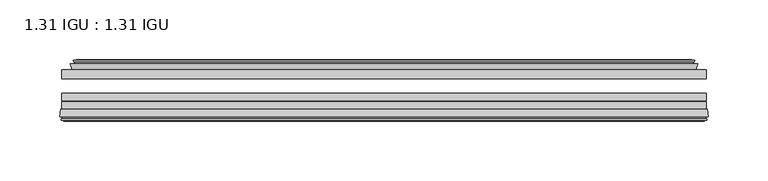
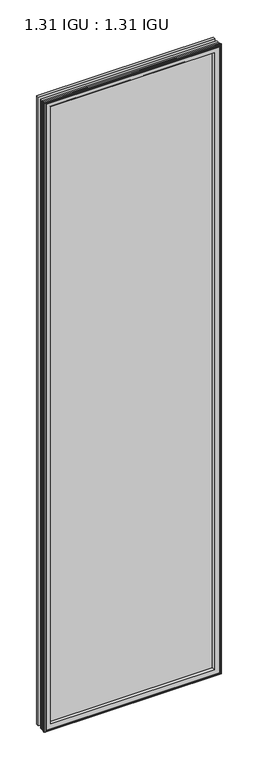
"""IFC4 building model written with IfcOpenShell, lengths in millimetres: plate geometry, 1.31 IGU : 1.31 IGU."""

from ifc_helpers import new_model, si_unit, frame, origin, place, context, project, spatial, polyline, ellipse_curve, outline, extrude, faceted_brep, source, transform, mapped, element, save
from ifc_brep_helpers import plane_surface, revolved_surface, advanced_brep


def plate_1_31_igu_1_31_igu_bbaa6263(model_context):
    return source(origin(), model_context, "Body", "SolidModel", [
        extrude(outline(polyline([(269.890875, -17.9712937), (269.890875, -25.8960937), (-269.890875, -25.8960937), (-269.890875, -17.9712937), (269.890875, -17.9712937)])), frame((0.0, 0.0, -19.05), z_axis=(0.0, 0.0, 1.0), x_axis=(1.0, 0.0, 0.0)), (0.0, 0.0, 1.0), 2032.0),
        extrude(outline(polyline([(-269.890875, -51.2960937), (-269.890875, -44.9460937), (269.890875, -44.9460937), (269.890875, -51.2960937), (-269.890875, -51.2960937)])), frame((0.0, 0.0, -19.05), z_axis=(0.0, 0.0, 1.0), x_axis=(1.0, 0.0, 0.0)), (0.0, 0.0, 1.0), 2032.0),
        extrude(outline(polyline([(-269.890875, -44.1586938), (-269.890875, -37.8086938), (269.890875, -37.8086938), (269.890875, -44.1586938), (-269.890875, -44.1586938)])), frame((0.0, 0.0, -19.05), z_axis=(0.0, 0.0, 1.0), x_axis=(1.0, 0.0, 0.0)), (0.0, 0.0, 1.0), 2032.0),
        faceted_brep([(-260.9722755, -17.9712937, 2004.0314005), (-262.6165087, -13.1960937, 2005.6756337), (-262.6165087, -13.1960937, -11.7756337), (-260.9722755, -17.9712937, -10.1314005), (-251.361575, -13.1960937, 1994.4207), (-250.1921445, -17.9712937, 1993.2512695), (-250.1921445, -17.9712937, 0.6487305), (-251.361575, -13.1960937, -0.5207), (-256.9262953, -10.902778, 1999.9854203), (-256.3118031, -13.1960937, 1999.3709281), (-256.3118031, -13.1960937, -5.4709281), (-256.9262953, -10.902778, -6.0854203), (-255.5340459, -11.27583, 1998.5931709), (-255.5340459, -11.27583, -4.6931709), (-255.3027287, -10.4125422, 1998.3618537), (-255.3027287, -10.4125422, -4.4618537), (-257.711575, -9.7670937, 2000.7707), (-257.711575, -9.7670937, -6.8707), (-260.1204213, -10.4125422, 2003.1795463), (-260.1204213, -10.4125422, -9.2795463), (-259.8891041, -11.27583, 2002.9482291), (-259.8891041, -11.27583, -9.0482291), (-258.5022764, -10.9042307, 2001.5614014), (-258.5022764, -10.9042307, -7.6614014), (-259.2469479, -13.1960937, 2002.3060729), (-259.2469479, -13.1960937, -8.4060729), (262.6165087, -13.1960937, -11.7756337), (260.9722755, -17.9712937, -10.1314005), (250.1921445, -17.9712937, 0.6487305), (251.361575, -13.1960937, -0.5207), (256.3118031, -13.1960937, -5.4709281), (256.9262953, -10.902778, -6.0854203), (255.5340459, -11.27583, -4.6931709), (255.3027287, -10.4125422, -4.4618537), (257.711575, -9.7670937, -6.8707), (260.1204213, -10.4125422, -9.2795463), (259.8891041, -11.27583, -9.0482291), (258.5022764, -10.9042307, -7.6614014), (259.2469479, -13.1960937, -8.4060729), (262.6165087, -13.1960937, 2005.6756337), (260.9722755, -17.9712937, 2004.0314005), (250.1921445, -17.9712937, 1993.2512695), (251.361575, -13.1960937, 1994.4207), (256.3118031, -13.1960937, 1999.3709281), (256.9262953, -10.902778, 1999.9854203), (255.5340459, -11.27583, 1998.5931709), (255.3027287, -10.4125422, 1998.3618537), (257.711575, -9.7670937, 2000.7707), (260.1204213, -10.4125422, 2003.1795463), (259.8891041, -11.27583, 2002.9482291), (258.5022764, -10.9042307, 2001.5614014), (259.2469479, -13.1960937, 2002.3060729)], [[[0, 1, 2, 3]], [[4, 5, 6, 7]], [[8, 9, 10, 11]], [[12, 8, 11, 13]], [[14, 12, 13, 15]], [[16, 14, 15, 17]], [[18, 16, 17, 19]], [[20, 18, 19, 21]], [[22, 20, 21, 23]], [[24, 22, 23, 25]], [[3, 2, 26, 27]], [[7, 6, 28, 29]], [[11, 10, 30, 31]], [[13, 11, 31, 32]], [[15, 13, 32, 33]], [[17, 15, 33, 34]], [[19, 17, 34, 35]], [[21, 19, 35, 36]], [[23, 21, 36, 37]], [[25, 23, 37, 38]], [[27, 26, 39, 40]], [[29, 28, 41, 42]], [[31, 30, 43, 44]], [[32, 31, 44, 45]], [[33, 32, 45, 46]], [[34, 33, 46, 47]], [[35, 34, 47, 48]], [[36, 35, 48, 49]], [[37, 36, 49, 50]], [[38, 37, 50, 51]], [[40, 39, 1, 0]], [[3, 27, 40, 0], [5, 41, 28, 6]], [[42, 41, 5, 4]], [[9, 43, 30, 10], [7, 29, 42, 4]], [[44, 43, 9, 8]], [[45, 44, 8, 12]], [[46, 45, 12, 14]], [[47, 46, 14, 16]], [[48, 47, 16, 18]], [[49, 48, 18, 20]], [[50, 49, 20, 22]], [[51, 50, 22, 24]], [[1, 39, 26, 2], [25, 38, 51, 24]]]),
        advanced_brep(
        [(-247.2035601, -51.2960937, 1990.2626851), (-250.840875, -57.6460937, 1993.9), (-250.840875, -57.6460937, 0.0), (-247.2035601, -51.2960937, 3.6373149), (-271.4866533, -57.6460937, 2014.5457783), (-270.7069714, -51.2960937, 2013.7660964), (-270.7069714, -51.2960937, -19.8660964), (-271.4866533, -57.6460937, -20.6457783), (-269.0866494, -59.6558685, 2012.1457744), (-269.5456763, -57.6460937, 2012.6048013), (-269.5456763, -57.6460937, -18.7048013), (-269.0866494, -59.6558685, -18.2457744), (-270.0703338, -59.3738016, 2013.1294588), (-270.0703338, -59.3738016, -19.2294588), (-270.3238183, -60.2578071, 2013.3829433), (-270.3238183, -60.2578071, -19.4829433), (-268.3008748, -60.8378768, 2011.3599998), (-268.3008748, -60.8378768, -17.4599998), (-266.2572139, -60.2902795, 2009.3163389), (-266.2572139, -60.2902795, -15.4163389), (-266.5020833, -59.3764147, 2009.5612083), (-266.5020833, -59.3764147, -15.6612083), (-267.5247171, -59.6504286, 2010.5838421), (-267.5247171, -59.6504286, -16.6838421), (-267.0619799, -57.6460937, 2010.1211049), (-267.0619799, -57.6460937, -16.2211049), (250.840875, -57.6460938, 0.0), (247.2035601, -51.2960937, 3.6373149), (270.7069714, -51.2960937, -19.8660964), (271.4866533, -57.6460938, -20.6457783), (269.5456763, -57.6460938, -18.7048013), (269.0866494, -59.6558685, -18.2457744), (270.0703338, -59.3738016, -19.2294588), (270.3238183, -60.2578071, -19.4829433), (268.3008748, -60.8378768, -17.4599998), (266.2572139, -60.2902795, -15.4163389), (266.5020833, -59.3764147, -15.6612083), (267.5247171, -59.6504286, -16.6838421), (267.0619799, -57.6460938, -16.2211049), (250.840875, -57.6460938, 1993.9), (247.2035601, -51.2960937, 1990.2626851), (270.7069714, -51.2960937, 2013.7660964), (271.4866533, -57.6460938, 2014.5457783), (269.5456763, -57.6460938, 2012.6048013), (269.0866494, -59.6558685, 2012.1457744), (270.0703338, -59.3738016, 2013.1294588), (270.3238183, -60.2578071, 2013.3829433), (268.3008748, -60.8378768, 2011.3599998), (266.2572139, -60.2902795, 2009.3163389), (266.5020833, -59.3764147, 2009.5612083), (267.5247171, -59.6504286, 2010.5838421), (267.0619799, -57.6460938, 2010.1211049)],
        [
            (0, 1, ellipse_curve(frame((-242.40993, -58.2586484, 1985.469055), z_axis=(0.7071067811865475, 0.0, 0.7071067811865475), x_axis=(0.7071067811865474, 0.0, -0.7071067811865476)), 11.9545855, 8.4531685)),
            (1, 2),
            (2, 3, ellipse_curve(frame((-242.40993, -58.2586484, 8.430945), z_axis=(0.7071067811865475, 0.0, -0.7071067811865475), x_axis=(-0.7071067811865474, 0.0, -0.7071067811865476)), 11.9545855, 8.4531685)),
            (3, 0),
            (4, 5),
            (5, 6),
            (6, 7),
            (7, 4),
            (8, 9),
            (9, 10),
            (10, 11),
            (11, 8),
            (12, 8),
            (11, 13),
            (13, 12),
            (14, 12),
            (13, 15),
            (15, 14),
            (16, 14),
            (15, 17),
            (17, 16),
            (18, 16),
            (17, 19),
            (19, 18),
            (20, 18),
            (19, 21),
            (21, 20),
            (22, 20),
            (21, 23),
            (23, 22),
            (24, 22),
            (23, 25),
            (25, 24),
            (2, 26),
            (26, 27, ellipse_curve(frame((242.40993, -58.2586484, 8.430945), z_axis=(0.7071067811865475, 0.0, 0.7071067811865475), x_axis=(0.7071067811865476, 0.0, -0.7071067811865474)), 11.9545855, 8.4531685)),
            (27, 3),
            (6, 28),
            (28, 29),
            (29, 7),
            (10, 30),
            (30, 31),
            (31, 11),
            (31, 32),
            (32, 13),
            (32, 33),
            (33, 15),
            (33, 34),
            (34, 17),
            (34, 35),
            (35, 19),
            (35, 36),
            (36, 21),
            (36, 37),
            (37, 23),
            (37, 38),
            (38, 25),
            (26, 39),
            (39, 40, ellipse_curve(frame((242.40993, -58.2586484, 1985.469055), z_axis=(-0.7071067811865475, 0.0, 0.7071067811865475), x_axis=(0.7071067811865474, 0.0, 0.7071067811865476)), 11.9545855, 8.4531685)),
            (40, 27),
            (28, 41),
            (41, 42),
            (42, 29),
            (30, 43),
            (43, 44),
            (44, 31),
            (44, 45),
            (45, 32),
            (45, 46),
            (46, 33),
            (46, 47),
            (47, 34),
            (47, 48),
            (48, 35),
            (48, 49),
            (49, 36),
            (49, 50),
            (50, 37),
            (50, 51),
            (51, 38),
            (51, 24),
            (1, 39),
            (0, 40),
            (5, 41),
            (4, 42),
            (9, 43),
            (8, 44),
            (12, 45),
            (14, 46),
            (16, 47),
            (18, 48),
            (20, 49),
            (22, 50),
        ],
        [
            revolved_surface(polyline([(-250.8630985, -58.2586484, -0.02222347332440222), (-250.8630985, -58.2586484, 1993.9222234733245)]), (-242.40993, -58.2586484, 2025.65), (0.0, 0.0, -1.0)),
            plane_surface(frame((-270.7069714, -51.2960937, 2013.7660964), z_axis=(-0.9925461516413234, 0.12186934340513636, 0.0), x_axis=(0.0, 0.0, -1.0))),
            plane_surface(frame((-269.5456763, -57.6460937, 2012.6048013), z_axis=(-0.9748953990049445, -0.22266333555165796, 0.0), x_axis=(0.0, 0.0, -1.0))),
            plane_surface(frame((-269.0866494, -59.6558685, 2012.1457744), z_axis=(0.27563735581726606, 0.9612616959382424, 0.0), x_axis=(0.0, 0.0, -1.0))),
            plane_surface(frame((-270.0703338, -59.3738016, 2013.1294588), z_axis=(-0.9612616959382463, 0.2756373558172523, 0.0), x_axis=(0.0, 0.0, -1.0))),
            plane_surface(frame((-270.3238183, -60.2578071, 2013.3829433), z_axis=(-0.2756373558170135, -0.9612616959383148, 0.0), x_axis=(0.0, 0.0, -1.0))),
            plane_surface(frame((-268.3008748, -60.8378768, 2011.3599998), z_axis=(0.25881904510226056, -0.965925826289138, 0.0), x_axis=(0.0, 0.0, -1.0))),
            plane_surface(frame((-266.2572139, -60.2902795, 2009.3163389), z_axis=(0.9659258262891444, 0.25881904510223736, 0.0), x_axis=(0.0, 0.0, -1.0))),
            plane_surface(frame((-266.5020833, -59.3764147, 2009.5612083), z_axis=(-0.2588190451025015, 0.9659258262890735, 0.0), x_axis=(0.0, 0.0, -1.0))),
            plane_surface(frame((-267.5247171, -59.6504286, 2010.5838421), z_axis=(0.9743700647852117, -0.22495105434396695, 0.0), x_axis=(0.0, 0.0, -1.0))),
            revolved_surface(polyline([(250.86309847332438, -58.2586484, -0.02222350000000084), (-250.86309847332438, -58.2586484, -0.02222350000000084)]), (-282.590875, -58.2586484, 8.430945), (1.0, 0.0, 0.0)),
            plane_surface(frame((-270.7069714, -51.2960937, -19.8660964), z_axis=(0.0, 0.12186934340513315, -0.9925461516413239), x_axis=(1.0, 0.0, 0.0))),
            plane_surface(frame((-269.5456763, -57.6460937, -18.7048013), z_axis=(0.0, -0.22266333555166112, -0.9748953990049438), x_axis=(1.0, 0.0, 0.0))),
            plane_surface(frame((-269.0866494, -59.6558685, -18.2457744), z_axis=(0.0, 0.9612616959382433, 0.27563735581726295), x_axis=(1.0, 0.0, 0.0))),
            plane_surface(frame((-270.0703338, -59.3738016, -19.2294588), z_axis=(0.0, 0.2756373558172492, -0.9612616959382472), x_axis=(1.0, 0.0, 0.0))),
            plane_surface(frame((-270.3238183, -60.2578071, -19.4829433), z_axis=(0.0, -0.9612616959383157, -0.2756373558170104), x_axis=(1.0, 0.0, 0.0))),
            plane_surface(frame((-268.3008748, -60.8378768, -17.4599998), z_axis=(0.0, -0.9659258262891373, 0.2588190451022637), x_axis=(1.0, 0.0, 0.0))),
            plane_surface(frame((-266.2572139, -60.2902795, -15.4163389), z_axis=(0.0, 0.25881904510224046, 0.9659258262891435), x_axis=(1.0, 0.0, 0.0))),
            plane_surface(frame((-266.5020833, -59.3764147, -15.6612083), z_axis=(0.0, 0.9659258262890726, -0.2588190451025046), x_axis=(1.0, 0.0, 0.0))),
            plane_surface(frame((-267.5247171, -59.6504286, -16.6838421), z_axis=(0.0, -0.22495105434396379, 0.9743700647852125), x_axis=(1.0, 0.0, 0.0))),
            revolved_surface(polyline([(250.8630985, -58.2586484, 1993.9222234733245), (250.8630985, -58.2586484, -0.022223473324370246)]), (242.40993, -58.2586484, -31.75), (0.0, 0.0, 1.0)),
            plane_surface(frame((270.7069714, -51.2960937, -19.8660964), z_axis=(0.9925461516413243, 0.12186934340512995, 0.0), x_axis=(0.0, 0.0, 1.0))),
            plane_surface(frame((269.5456763, -57.6460938, -18.7048013), z_axis=(0.9748953990049432, -0.2226633355516643, 0.0), x_axis=(0.0, 0.0, 1.0))),
            plane_surface(frame((269.0866494, -59.6558685, -18.2457744), z_axis=(-0.27563735581725984, 0.9612616959382442, 0.0), x_axis=(0.0, 0.0, 1.0))),
            plane_surface(frame((270.0703338, -59.3738016, -19.2294588), z_axis=(0.9612616959382481, 0.2756373558172461, 0.0), x_axis=(0.0, 0.0, 1.0))),
            plane_surface(frame((270.3238183, -60.2578071, -19.4829433), z_axis=(0.27563735581700727, -0.9612616959383166, 0.0), x_axis=(0.0, 0.0, 1.0))),
            plane_surface(frame((268.3008748, -60.8378768, -17.4599998), z_axis=(-0.25881904510226683, -0.9659258262891364, 0.0), x_axis=(0.0, 0.0, 1.0))),
            plane_surface(frame((266.2572139, -60.2902795, -15.4163389), z_axis=(-0.9659258262891426, 0.2588190451022436, 0.0), x_axis=(0.0, 0.0, 1.0))),
            plane_surface(frame((266.5020833, -59.3764147, -15.6612083), z_axis=(0.2588190451025077, 0.9659258262890718, 0.0), x_axis=(0.0, 0.0, 1.0))),
            plane_surface(frame((267.5247171, -59.6504286, -16.6838421), z_axis=(-0.9743700647852133, -0.22495105434396062, 0.0), x_axis=(0.0, 0.0, 1.0))),
            plane_surface(frame((267.0619799, -57.6460938, 2010.1211049), z_axis=(0.0, -1.0, 0.0), x_axis=(-1.0, 0.0, 0.0))),
            revolved_surface(polyline([(-250.86309847332438, -58.2586484, 1993.9222235), (250.86309847332438, -58.2586484, 1993.9222235)]), (282.590875, -58.2586484, 1985.469055), (-1.0, 0.0, 0.0)),
            plane_surface(frame((247.2035601, -51.2960937, 1990.2626851), z_axis=(0.0, 1.0, 0.0), x_axis=(-1.0, 0.0, 0.0))),
            plane_surface(frame((270.7069714, -51.2960937, 2013.7660964), z_axis=(0.0, 0.12186934340513315, 0.9925461516413239), x_axis=(-1.0, 0.0, 0.0))),
            plane_surface(frame((271.4866533, -57.6460938, 2014.5457783), z_axis=(0.0, -1.0, 0.0), x_axis=(-1.0, 0.0, 0.0))),
            plane_surface(frame((269.5456763, -57.6460938, 2012.6048013), z_axis=(0.0, -0.22266333555166112, 0.9748953990049438), x_axis=(-1.0, 0.0, 0.0))),
            plane_surface(frame((269.0866494, -59.6558685, 2012.1457744), z_axis=(0.0, 0.9612616959382433, -0.27563735581726295), x_axis=(-1.0, 0.0, 0.0))),
            plane_surface(frame((270.0703338, -59.3738016, 2013.1294588), z_axis=(0.0, 0.2756373558172492, 0.9612616959382472), x_axis=(-1.0, 0.0, 0.0))),
            plane_surface(frame((270.3238183, -60.2578071, 2013.3829433), z_axis=(0.0, -0.9612616959383157, 0.2756373558170104), x_axis=(-1.0, 0.0, 0.0))),
            plane_surface(frame((268.3008748, -60.8378768, 2011.3599998), z_axis=(0.0, -0.9659258262891373, -0.2588190451022637), x_axis=(-1.0, 0.0, 0.0))),
            plane_surface(frame((266.2572139, -60.2902795, 2009.3163389), z_axis=(0.0, 0.25881904510224046, -0.9659258262891435), x_axis=(-1.0, 0.0, 0.0))),
            plane_surface(frame((266.5020833, -59.3764147, 2009.5612083), z_axis=(0.0, 0.9659258262890726, 0.2588190451025046), x_axis=(-1.0, 0.0, 0.0))),
            plane_surface(frame((267.5247171, -59.6504286, 2010.5838421), z_axis=(0.0, -0.22495105434396379, -0.9743700647852125), x_axis=(-1.0, 0.0, 0.0))),
        ],
        [
            (0, [[1, 2, 3, 4]]),
            (1, [[5, 6, 7, 8]]),
            (2, [[9, 10, 11, 12]]),
            (3, [[13, -12, 14, 15]]),
            (4, [[16, -15, 17, 18]]),
            (5, [[19, -18, 20, 21]]),
            (6, [[22, -21, 23, 24]]),
            (7, [[25, -24, 26, 27]]),
            (8, [[28, -27, 29, 30]]),
            (9, [[31, -30, 32, 33]]),
            (10, [[-3, 34, 35, 36]]),
            (11, [[-7, 37, 38, 39]]),
            (12, [[-11, 40, 41, 42]]),
            (13, [[-14, -42, 43, 44]]),
            (14, [[-17, -44, 45, 46]]),
            (15, [[-20, -46, 47, 48]]),
            (16, [[-23, -48, 49, 50]]),
            (17, [[-26, -50, 51, 52]]),
            (18, [[-29, -52, 53, 54]]),
            (19, [[-32, -54, 55, 56]]),
            (20, [[-35, 57, 58, 59]]),
            (21, [[-38, 60, 61, 62]]),
            (22, [[-41, 63, 64, 65]]),
            (23, [[-43, -65, 66, 67]]),
            (24, [[-45, -67, 68, 69]]),
            (25, [[-47, -69, 70, 71]]),
            (26, [[-49, -71, 72, 73]]),
            (27, [[-51, -73, 74, 75]]),
            (28, [[-53, -75, 76, 77]]),
            (29, [[-55, -77, 78, 79]]),
            (30, [[-56, -79, 80, -33], [81, -57, -34, -2]]),
            (31, [[-58, -81, -1, 82]]),
            (32, [[83, -60, -37, -6], [-36, -59, -82, -4]]),
            (33, [[-61, -83, -5, 84]]),
            (34, [[-39, -62, -84, -8], [85, -63, -40, -10]]),
            (35, [[-64, -85, -9, 86]]),
            (36, [[-66, -86, -13, 87]]),
            (37, [[-68, -87, -16, 88]]),
            (38, [[-70, -88, -19, 89]]),
            (39, [[-72, -89, -22, 90]]),
            (40, [[-74, -90, -25, 91]]),
            (41, [[-76, -91, -28, 92]]),
            (42, [[-78, -92, -31, -80]]),
        ],
    ),
    ])


if __name__ == "__main__":
    model = new_model("IFC4")
    model_context = context("Model", 3, world=origin())
    ifc_project = project(units=[si_unit("LENGTHUNIT", "METRE", prefix="MILLI")], contexts=[model_context])
    site = spatial("IfcSite", under=ifc_project)
    building = spatial("IfcBuilding", under=site)
    placement = place(None, origin())
    plate_1_31_igu_1_31_igu_shape = plate_1_31_igu_1_31_igu_bbaa6263(model_context)
    element("IfcPlate", 1, ObjectType="1.31 IGU : 1.31 IGU", at=placement, inside=building, context=model_context, shape_type="MappedRepresentation", body=[
        mapped(plate_1_31_igu_1_31_igu_shape, transform((0.0, 0.0, 0.0), x_axis=(1.0, 0.0, 0.0), y_axis=(0.0, 1.0, 0.0), z_axis=(0.0, 0.0, 1.0))),
    ])
    save(model, "model.ifc")
